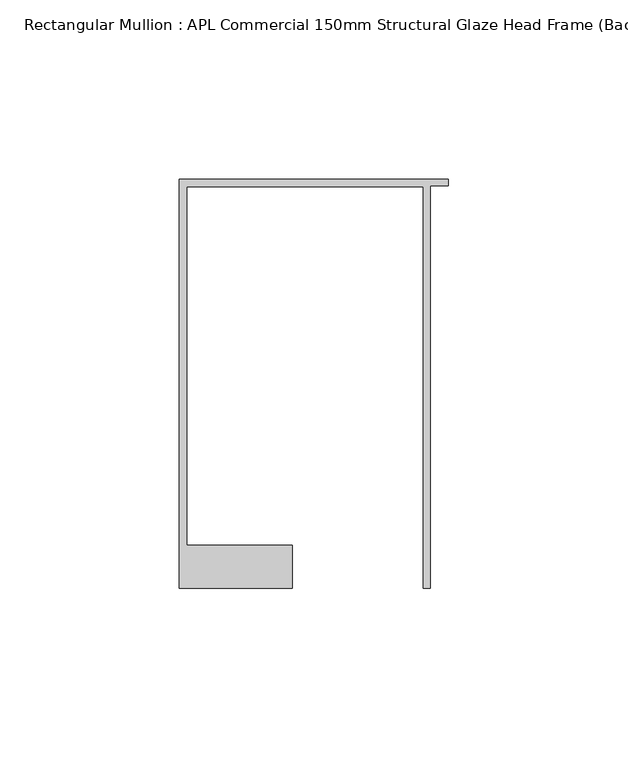
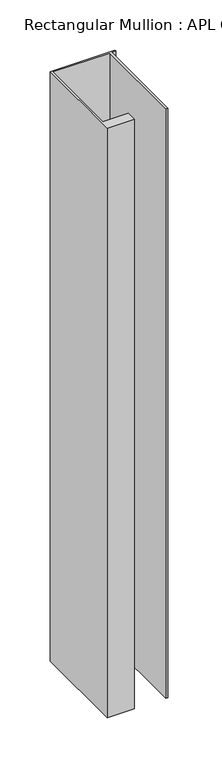
"""IFC4 building model written with IfcOpenShell, lengths in millimetres: member geometry, Rectangular Mullion : APL Commercial 150mm Structural Glaze Head Frame (Back)."""

from ifc_helpers import new_model, si_unit, frame, origin, place, context, project, spatial, polyline, outline, extrude, source, transform, mapped, element, save


def rectangular_mullion_apl_commercial_150mm_structural_glaze_4d911e09(model_context):
    return source(origin(), model_context, "Body", "SweptSolid", [
        extrude(outline(polyline([(-75.0, 128.9993063), (0.0, 128.9993063), (0.0, 127.1993063), (-5.0, 127.1993063), (-5.0, 14.9998342), (-7.0, 14.9998342), (-7.0, 126.9993063), (-73.0, 126.9993063), (-73.0, 26.9997514), (-43.5000151, 26.9997514), (-43.5000151, 14.9998342), (-75.0, 14.9998342), (-75.0, 128.9993063)])), frame((0.0, 0.0, -720.0500409), z_axis=(0.0, 0.0, 1.0), x_axis=(1.0, 0.0, 0.0)), (0.0, 0.0, 1.0), 720.0500409),
    ])


if __name__ == "__main__":
    model = new_model("IFC4")
    model_context = context("Model", 3, world=origin())
    ifc_project = project(units=[si_unit("LENGTHUNIT", "METRE", prefix="MILLI")], contexts=[model_context])
    site = spatial("IfcSite", under=ifc_project)
    building = spatial("IfcBuilding", under=site)
    placement = place(None, origin())
    rectangular_mullion_apl_commercial_150mm_structural_glaze_shape = rectangular_mullion_apl_commercial_150mm_structural_glaze_4d911e09(model_context)
    element("IfcMember", 1, ObjectType="Rectangular Mullion : APL Commercial 150mm Structural Glaze Head Frame (Back)", at=placement, inside=building, context=model_context, shape_type="MappedRepresentation", body=[
        mapped(rectangular_mullion_apl_commercial_150mm_structural_glaze_shape, transform((0.0, 0.0, 0.0), x_axis=(1.0, 0.0, 0.0), y_axis=(0.0, 1.0, 0.0), z_axis=(0.0, 0.0, 1.0))),
    ])
    save(model, "model.ifc")
